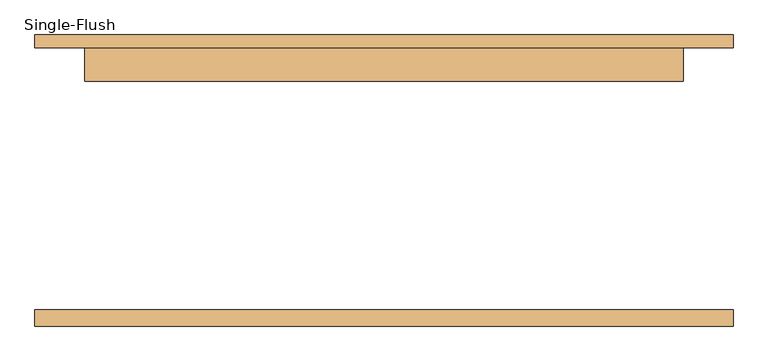
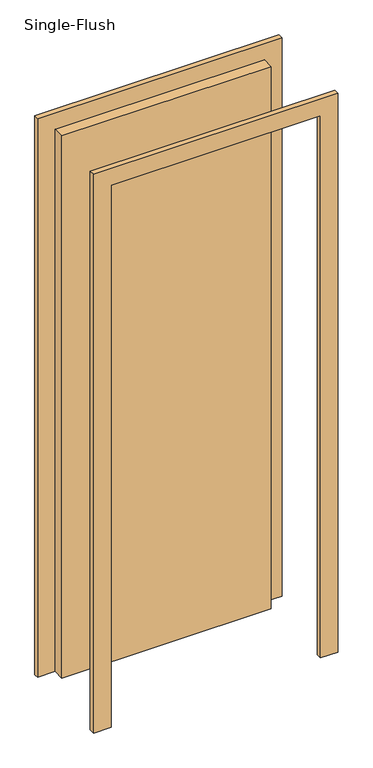
"""IFC4 building model written with IfcOpenShell, lengths in millimetres: door geometry, Single-Flush."""

from ifc_helpers import new_model, si_unit, frame, origin, origin_with_axes, place, context, project, spatial, polyline, outline, extrude, source, transform, mapped, element, save


def single_flush_a92958c8(model_context):
    return source(origin(), model_context, "Body", "SweptSolid", [
        extrude(outline(polyline([(2576.2, -533.4), (0.0, -533.4), (0.0, -457.2), (2500.0, -457.2), (2500.0, 457.2), (0.0, 457.2), (0.0, 533.4), (2576.2, 533.4), (2576.2, -533.4)])), frame((0.0, 200.0, 0.0), z_axis=(0.0, 1.0, 0.0), x_axis=(0.0, 0.0, 1.0)), (0.0, 0.0, 1.0), 20.0),
        extrude(outline(polyline([(2576.2, 533.4), (2576.2, -533.4), (0.0, -533.4), (0.0, -457.2), (2500.0, -457.2), (2500.0, 457.2), (0.0, 457.2), (0.0, 533.4), (2576.2, 533.4)])), frame((0.0, -225.4, 0.0), z_axis=(0.0, 1.0, 0.0), x_axis=(0.0, 0.0, 1.0)), (0.0, 0.0, 1.0), 25.4),
        extrude(outline(polyline([(457.2, 149.2), (-457.2, 149.2), (-457.2, 200.0), (457.2, 200.0), (457.2, 149.2)])), origin_with_axes(), (0.0, 0.0, 1.0), 2500.0),
    ])


if __name__ == "__main__":
    model = new_model("IFC4")
    model_context = context("Model", 3, world=origin())
    ifc_project = project(units=[si_unit("LENGTHUNIT", "METRE", prefix="MILLI")], contexts=[model_context])
    site = spatial("IfcSite", under=ifc_project)
    building = spatial("IfcBuilding", under=site)
    placement = place(None, origin())
    single_flush_shape = single_flush_a92958c8(model_context)
    element("IfcDoor", 1, ObjectType="Single-Flush", at=placement, inside=building, context=model_context, shape_type="MappedRepresentation", body=[
        mapped(single_flush_shape, transform((0.0, 0.0, 0.0), x_axis=(1.0, 0.0, 0.0), y_axis=(0.0, 1.0, 0.0), z_axis=(0.0, 0.0, 1.0))),
    ])
    save(model, "model.ifc")
